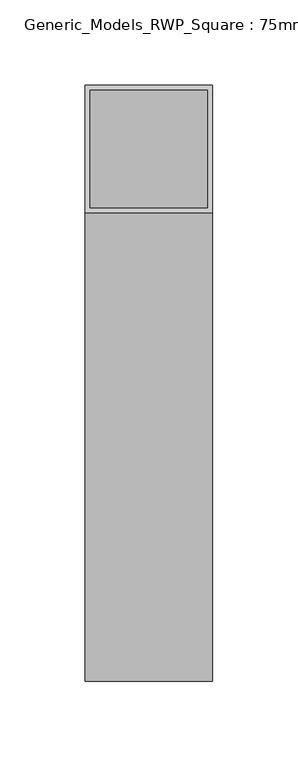
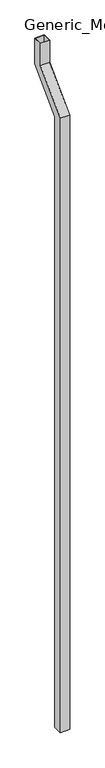
"""IFC4 building model written with IfcOpenShell, lengths in millimetres: proxy geometry, Generic_Models_RWP_Square : 75mm_Square."""

from ifc_helpers import new_model, si_unit, origin, place, context, project, spatial, faceted_brep, source, transform, mapped, element, save


def generic_models_rwp_square_75mm_square_2b616203(model_context):
    return source(origin(), model_context, "Body", "Brep", [
        faceted_brep([(37.5, 37.5, 0.0), (-37.5, 37.5, 0.0), (-37.5, 112.5, 0.0), (37.5, 112.5, 0.0), (34.5, 40.5, 0.0), (34.5, 109.5, 0.0), (-34.5, 109.5, 0.0), (-34.5, 40.5, 0.0), (37.5, 37.5, 5140.5330086), (-37.5, 37.5, 5140.5330086), (-37.5, 312.5, 5415.5330086), (-37.5, 312.5, 5600.0), (-37.5, 387.5, 5600.0), (-37.5, 387.5, 5384.4669914), (-37.5, 112.5, 5109.4669914), (37.5, 112.5, 5109.4669914), (37.5, 387.5, 5384.4669914), (37.5, 387.5, 5600.0), (37.5, 312.5, 5600.0), (37.5, 312.5, 5415.5330086), (34.5, 40.5, 5139.2903679), (34.5, 315.5, 5414.2903679), (34.5, 315.5, 5600.0), (34.5, 384.5, 5600.0), (34.5, 384.5, 5385.7096321), (34.5, 109.5, 5110.7096321), (-34.5, 109.5, 5110.7096321), (-34.5, 384.5, 5385.7096321), (-34.5, 384.5, 5600.0), (-34.5, 315.5, 5600.0), (-34.5, 315.5, 5414.2903679), (-34.5, 40.5, 5139.2903679)], [[[0, 1, 2, 3], [4, 5, 6, 7]], [[1, 0, 8, 9]], [[2, 1, 9, 10, 11, 12, 13, 14]], [[3, 2, 14, 15]], [[0, 3, 15, 16, 17, 18, 19, 8]], [[5, 4, 20, 21, 22, 23, 24, 25]], [[6, 5, 25, 26]], [[7, 6, 26, 27, 28, 29, 30, 31]], [[4, 7, 31, 20]], [[9, 8, 19, 10]], [[15, 14, 13, 16]], [[26, 25, 24, 27]], [[20, 31, 30, 21]], [[18, 17, 12, 11], [22, 29, 28, 23]], [[10, 19, 18, 11]], [[16, 13, 12, 17]], [[27, 24, 23, 28]], [[21, 30, 29, 22]]]),
    ])


if __name__ == "__main__":
    model = new_model("IFC4")
    model_context = context("Model", 3, world=origin())
    ifc_project = project(units=[si_unit("LENGTHUNIT", "METRE", prefix="MILLI")], contexts=[model_context])
    site = spatial("IfcSite", under=ifc_project)
    building = spatial("IfcBuilding", under=site)
    placement = place(None, origin())
    generic_models_rwp_square_75mm_square_shape = generic_models_rwp_square_75mm_square_2b616203(model_context)
    element("IfcBuildingElementProxy", 1, Name="Generic_Models_RWP_Square : 75mm_Square", ObjectType="Generic_Models_RWP_Square : 75mm_Square", at=placement, inside=building, context=model_context, shape_type="MappedRepresentation", body=[
        mapped(generic_models_rwp_square_75mm_square_shape, transform((0.0, 0.0, 0.0), x_axis=(1.0, 0.0, 0.0), y_axis=(0.0, 1.0, 0.0), z_axis=(0.0, 0.0, 1.0))),
    ])
    save(model, "model.ifc")
